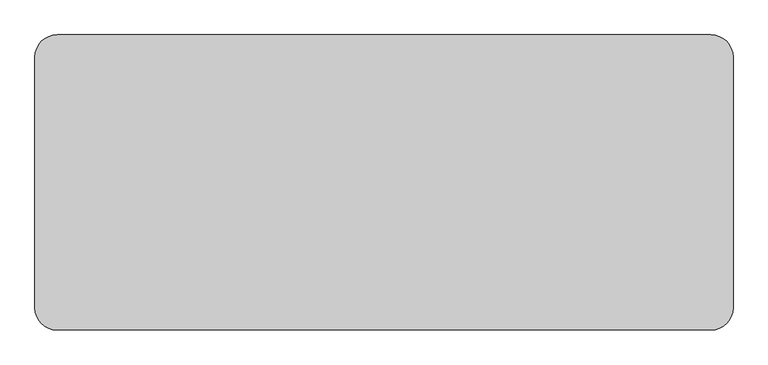
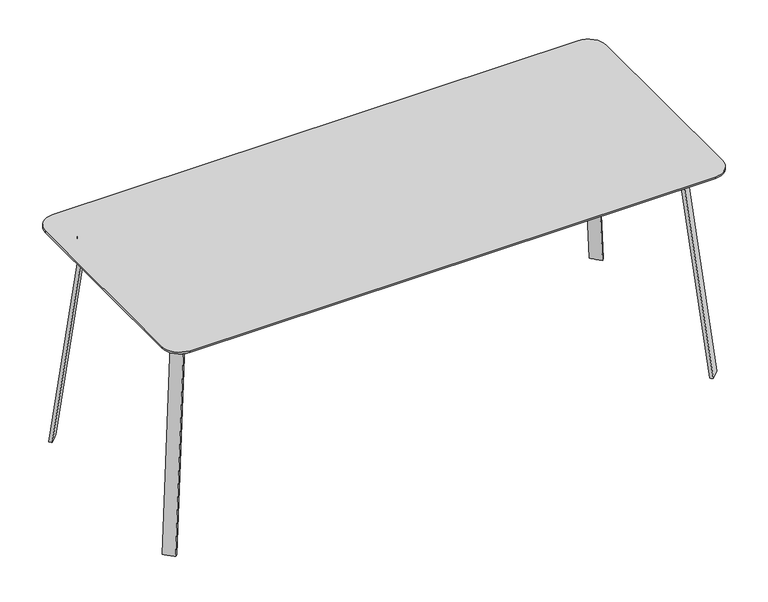
"""IFC4 building model written with IfcOpenShell, lengths in millimetres: furniture geometry."""

from ifc_helpers import new_model, si_unit, point, frame, frame_2d, origin, place, context, project, spatial, polyline, circle_curve, trimmed, segment, composite_curve, outline, extrude, source, transform, mapped, element, save
from ifc_brep_helpers import plane_surface, cylinder_surface, revolved_surface, spline_surface, advanced_brep


def furniture_3f5876fc(model_context):
    return source(origin(), model_context, "Body", "SolidModel", [
        extrude(outline(composite_curve([segment(trimmed(circle_curve(frame_2d((1202.7154289, 209.153125)), 60.325), [point((1202.7154289, 269.478125))], [point((1263.0404289, 209.153125))], False, "CARTESIAN"), True, "CONTINUOUS"), segment(polyline([(1263.0404289, 209.153125), (1263.0404289, -470.296875)]), True, "CONTINUOUS"), segment(trimmed(circle_curve(frame_2d((1202.7154289, -470.296875)), 60.325), [point((1263.0404289, -470.296875))], [point((1202.7154289, -530.621875))], False, "CARTESIAN"), True, "CONTINUOUS"), segment(polyline([(1202.7154289, -530.621875), (-566.6525399, -530.621875)]), True, "CONTINUOUS"), segment(trimmed(circle_curve(frame_2d((-566.6525399, -470.296875)), 60.325), [point((-566.6525399, -530.621875))], [point((-626.9775399, -470.296875))], False, "CARTESIAN"), True, "CONTINUOUS"), segment(polyline([(-626.9775399, -470.296875), (-626.9775399, 209.153125)]), True, "CONTINUOUS"), segment(trimmed(circle_curve(frame_2d((-566.6525399, 209.153125)), 60.325), [point((-626.9775399, 209.153125))], [point((-566.6525399, 269.478125))], False, "CARTESIAN"), True, "CONTINUOUS"), segment(polyline([(-566.6525399, 269.478125), (1202.7154289, 269.478125)]), True, "CONTINUOUS")], self_intersect=False)), frame((0.0, 0.0, 744.1025217), z_axis=(0.0, 0.0, 1.0), x_axis=(1.0, 0.0, 0.0)), (0.0, 0.0, 1.0), 5.9912283),
        advanced_brep(
        [(-510.8413612, -436.1434602, 744.1025217), (1146.8752089, -436.1434602, 744.1025217), (1197.6752089, -385.3434602, 744.1025217), (1197.6752089, 124.2199619, 744.1025217), (1146.8752089, 175.0199619, 744.1025217), (-510.8123198, 175.0199619, 744.1025217), (-561.6123198, 124.2199619, 744.1025217), (-561.6413612, -385.3434602, 744.1025217), (-510.7142395, -428.1022359, 744.1025217), (-553.6001551, -385.2163203, 744.1025217), (-553.6001551, 124.7624191, 744.1025217), (-511.218017, 166.9787557, 744.1025217), (1147.2809061, 166.9787557, 744.1025217), (1189.6339846, 124.6256772, 744.1025217), (1189.6339846, -385.6612191, 744.1025217), (1147.1929678, -428.1022359, 744.1025217), (-510.8413612, -436.1434602, 713.9480033), (-561.6413612, -385.3434602, 713.9480033), (-561.6413612, 124.2199619, 713.9480033), (-510.8123198, 175.0199619, 713.9480033), (1146.8752089, 175.0199619, 713.9480033), (1197.6752089, 124.2199619, 713.9480033), (1197.6752089, -385.3434602, 713.9480033), (1146.8752089, -436.1434602, 713.9480033), (-510.7142395, -428.1022359, 713.9480033), (1147.1929678, -428.1022359, 713.9480033), (1189.6339846, -385.6612191, 713.9480033), (1189.6339846, 124.6256772, 713.9480033), (1147.2809061, 166.9787557, 713.9480033), (-511.218017, 166.9787557, 713.9480033), (-553.5710955, 124.6256772, 713.9480033), (-553.6001551, -385.2163203, 713.9480033)],
        [
            (0, 1),
            (1, 2, circle_curve(frame((1146.8752089, -385.3434602, 744.1025217), z_axis=(0.0, 0.0, 1.0), x_axis=(1.0, 0.0, 0.0)), 50.8)),
            (2, 3),
            (3, 4, circle_curve(frame((1146.8752089, 124.2199619, 744.1025217), z_axis=(0.0, 0.0, 1.0), x_axis=(1.0, 0.0, 0.0)), 50.8)),
            (4, 5),
            (5, 6, circle_curve(frame((-510.8123198, 124.2199619, 744.1025217), z_axis=(0.0, 0.0, 1.0), x_axis=(1.0, 0.0, 0.0)), 50.8)),
            (6, 7),
            (7, 0, circle_curve(frame((-510.8413612, -385.3434602, 744.1025217), z_axis=(0.0, 0.0, 1.0), x_axis=(1.0, 0.0, 0.0)), 50.8)),
            (8, 9, circle_curve(frame((-510.7142395, -385.2163203, 744.1025217), z_axis=(0.0, 0.0, -1.0), x_axis=(1.0, 0.0, 0.0)), 42.8859156)),
            (9, 10),
            (10, 11, circle_curve(frame((-511.218017, 124.6256772, 744.1025217), z_axis=(0.0, 0.0, -1.0), x_axis=(1.0, 0.0, 0.0)), 42.3530785)),
            (11, 12),
            (12, 13, circle_curve(frame((1147.2809061, 124.6256772, 744.1025217), z_axis=(0.0, 0.0, -1.0), x_axis=(1.0, 0.0, 0.0)), 42.3530785)),
            (13, 14),
            (14, 15, circle_curve(frame((1147.1929678, -385.6612191, 744.1025217), z_axis=(0.0, 0.0, -1.0), x_axis=(1.0, 0.0, 0.0)), 42.4410167)),
            (15, 8),
            (16, 17, circle_curve(frame((-510.8413612, -385.3434602, 713.9480033), z_axis=(0.0, 0.0, -1.0), x_axis=(1.0, 0.0, 0.0)), 50.8)),
            (17, 18),
            (18, 19, circle_curve(frame((-510.8123198, 124.2199619, 713.9480033), z_axis=(0.0, 0.0, -1.0), x_axis=(1.0, 0.0, 0.0)), 50.8)),
            (19, 20),
            (20, 21, circle_curve(frame((1146.8752089, 124.2199619, 713.9480033), z_axis=(0.0, 0.0, -1.0), x_axis=(1.0, 0.0, 0.0)), 50.8)),
            (21, 22),
            (22, 23, circle_curve(frame((1146.8752089, -385.3434602, 713.9480033), z_axis=(0.0, 0.0, -1.0), x_axis=(1.0, 0.0, 0.0)), 50.8)),
            (23, 16),
            (24, 25),
            (25, 26, circle_curve(frame((1147.1929678, -385.6612191, 713.9480033), z_axis=(0.0, 0.0, 1.0), x_axis=(1.0, 0.0, 0.0)), 42.4410167)),
            (26, 27),
            (27, 28, circle_curve(frame((1147.2809061, 124.6256772, 713.9480033), z_axis=(0.0, 0.0, 1.0), x_axis=(1.0, 0.0, 0.0)), 42.3530785)),
            (28, 29),
            (29, 30, circle_curve(frame((-511.218017, 124.6256772, 713.9480033), z_axis=(0.0, 0.0, 1.0), x_axis=(1.0, 0.0, 0.0)), 42.3530785)),
            (30, 31),
            (31, 24, circle_curve(frame((-510.7142395, -385.2163203, 713.9480033), z_axis=(0.0, 0.0, 1.0), x_axis=(1.0, 0.0, 0.0)), 42.8859156)),
            (0, 16),
            (23, 1),
            (2, 22),
            (21, 3),
            (20, 4),
            (19, 5),
            (18, 6),
            (17, 7),
            (9, 31),
            (30, 10),
            (29, 11),
            (28, 12),
            (27, 13),
            (26, 14),
            (15, 25),
            (24, 8),
        ],
        [
            plane_surface(frame((1146.8752089, -436.1434602, 744.1025217), z_axis=(0.0, 0.0, 1.0), x_axis=(1.0, 0.0, 0.0))),
            plane_surface(frame((1146.8752089, -436.1434602, 713.9480033), z_axis=(0.0, 0.0, -1.0), x_axis=(-1.0, 0.0, 0.0))),
            plane_surface(frame((-510.8413612, -436.1434602, 744.1025217), z_axis=(0.0, -1.0, 0.0), x_axis=(0.0, 0.0, -1.0))),
            plane_surface(frame((1197.6752089, -385.3434602, 744.1025217), z_axis=(1.0, 0.0, 0.0), x_axis=(0.0, 0.0, -1.0))),
            cylinder_surface(frame((1146.8752089, 124.2199619, 713.9480033), z_axis=(0.0, 0.0, 1.0), x_axis=(1.0, 0.0, 0.0)), 50.8),
            plane_surface(frame((1146.8752089, 175.0199619, 744.1025217), z_axis=(0.0, 1.0, 0.0), x_axis=(0.0, 0.0, -1.0))),
            cylinder_surface(frame((-510.8123198, 124.2199619, 713.9480033), z_axis=(0.0, 0.0, 1.0), x_axis=(1.0, 0.0, 0.0)), 50.8),
            plane_surface(frame((-561.6413612, 124.2199619, 744.1025217), z_axis=(-1.0, 0.0, 0.0), x_axis=(0.0, 0.0, -1.0))),
            plane_surface(frame((-553.6001551, -385.2163203, 744.1025217), z_axis=(1.0, 0.0, 0.0), x_axis=(0.0, 0.0, -1.0))),
            revolved_surface(polyline([(-468.8649385, 124.6256772, 713.9480033), (-468.8649385, 124.6256772, 744.1025217)]), (-511.218017, 124.6256772, 0.0), (0.0, 0.0, -1.0)),
            plane_surface(frame((-511.218017, 166.9787557, 744.1025217), z_axis=(0.0, -1.0, 0.0), x_axis=(0.0, 0.0, -1.0))),
            revolved_surface(polyline([(1189.6339846, 124.6256772, 713.9480033), (1189.6339846, 124.6256772, 744.1025217)]), (1147.2809061, 124.6256772, 0.0), (0.0, 0.0, -1.0)),
            plane_surface(frame((1189.6339846, 124.6256772, 744.1025217), z_axis=(-1.0, 0.0, 0.0), x_axis=(0.0, 0.0, -1.0))),
            plane_surface(frame((1147.1929678, -428.1022359, 744.1025217), z_axis=(0.0, 1.0, 0.0), x_axis=(0.0, 0.0, -1.0))),
            cylinder_surface(frame((1146.8752089, -385.3434602, 713.9480033), z_axis=(0.0, 0.0, 1.0), x_axis=(1.0, 0.0, 0.0)), 50.8),
            cylinder_surface(frame((-510.8413612, -385.3434602, 713.9480033), z_axis=(0.0, 0.0, 1.0), x_axis=(1.0, 0.0, 0.0)), 50.8),
            revolved_surface(polyline([(-467.82832390000004, -385.2163203, 713.9480033), (-467.82832390000004, -385.2163203, 744.1025217)]), (-510.7142395, -385.2163203, 0.0), (0.0, 0.0, -1.0)),
            revolved_surface(polyline([(1189.6339845, -385.6612191, 713.9480033), (1189.6339845, -385.6612191, 744.1025217)]), (1147.1929678, -385.6612191, 0.0), (0.0, 0.0, -1.0)),
        ],
        [
            (0, [[1, 2, 3, 4, 5, 6, 7, 8], [9, 10, 11, 12, 13, 14, 15, 16]]),
            (1, [[17, 18, 19, 20, 21, 22, 23, 24], [25, 26, 27, 28, 29, 30, 31, 32]]),
            (2, [[-1, 33, -24, 34]]),
            (3, [[-3, 35, -22, 36]]),
            (4, [[-4, -36, -21, 37]]),
            (5, [[-5, -37, -20, 38]]),
            (6, [[-6, -38, -19, 39]]),
            (7, [[-7, -39, -18, 40]]),
            (8, [[-10, 41, -31, 42]]),
            (9, [[-11, -42, -30, 43]]),
            (10, [[-12, -43, -29, 44]]),
            (11, [[-13, -44, -28, 45]]),
            (12, [[-14, -45, -27, 46]]),
            (13, [[-16, 47, -25, 48]]),
            (14, [[-2, -34, -23, -35]]),
            (15, [[-8, -40, -17, -33]]),
            (16, [[-9, -48, -32, -41]]),
            (17, [[-15, -46, -26, -47]]),
        ],
    ),
        advanced_brep(
        [(-522.9418138, 161.6525031, 732.0407216), (-551.3717736, 133.2225433, 732.0407216), (-544.1908619, 126.0416408, 732.0407216), (-515.7609112, 154.4716006, 732.0407216), (-590.7605893, 229.4712787, 0.0), (-583.5796868, 222.2903762, 0.0), (-612.0096446, 193.8604195, 0.0), (-619.190548, 201.0413235, 0.0)],
        [
            (0, 1),
            (1, 2),
            (2, 3),
            (3, 0),
            (4, 5),
            (5, 6),
            (6, 7),
            (7, 4),
            (7, 1),
            (0, 4),
            (6, 2),
            (5, 3),
        ],
        [
            plane_surface(frame((-533.5663401, 143.847072, 732.0407216), z_axis=(0.0, 0.0, 1.0), x_axis=(0.7071072284265448, -0.7071063339462674, 0.0))),
            plane_surface(frame((-601.3851172, 211.6658495, 0.0), z_axis=(0.0, 0.0, -1.0), x_axis=(0.7071072284265448, -0.7071063339462674, 0.0))),
            spline_surface(1, 1, [[(-590.7605893, 229.4712787, 0.0), (-522.9418138, 161.6525031, 732.0407216)], [(-619.190548, 201.0413235, 0.0), (-551.3717736, 133.2225433, 732.0407216)]], [2, 2], [2, 2], [0.0, 1.0], [0.0, 1.0]),
            spline_surface(1, 1, [[(-619.190548, 201.0413235, 0.0), (-551.3717736, 133.2225433, 732.0407216)], [(-612.0096446, 193.8604195, 0.0), (-544.1908619, 126.0416408, 732.0407216)]], [2, 2], [2, 2], [0.0, 1.0], [0.0, 1.0]),
            spline_surface(1, 1, [[(-612.0096446, 193.8604195, 0.0), (-544.1908619, 126.0416408, 732.0407216)], [(-583.5796868, 222.2903762, 0.0), (-515.7609112, 154.4716006, 732.0407216)]], [2, 2], [2, 2], [0.0, 1.0], [0.0, 1.0]),
            plane_surface(frame((-587.1701381, 225.8808275, 0.0), z_axis=(0.7071067811865492, 0.7071067811865459, 0.0), x_axis=(-0.7071067811865459, 0.7071067811865492, 0.0))),
        ],
        [
            (0, [[1, 2, 3, 4]]),
            (1, [[5, 6, 7, 8]]),
            (2, [[-8, 9, -1, 10]]),
            (3, [[-7, 11, -2, -9]]),
            (4, [[-6, 12, -3, -11]]),
            (5, [[-5, -10, -4, -12]]),
        ],
    ),
        advanced_brep(
        [(-522.9433307, -421.5064418, 732.0407216), (-515.7624282, -414.3255575, 732.0407216), (-544.1923789, -385.8956067, 732.0407216), (-551.3732905, -393.0764911, 732.0407216), (-590.7621109, -489.3251947, 0.0), (-619.1920661, -460.895244, 0.0), (-612.0111698, -453.71435, 0.0), (-583.5812137, -482.1443004, 0.0)],
        [
            (0, 1),
            (1, 2),
            (2, 3),
            (3, 0),
            (4, 5),
            (5, 6),
            (6, 7),
            (7, 4),
            (4, 0),
            (3, 5),
            (2, 6),
            (1, 7),
        ],
        [
            plane_surface(frame((-533.5678571, -403.7010243, 732.0407216), z_axis=(0.0, 0.0, 1.0), x_axis=(0.7071068941515355, -0.7071066682215416, 0.0))),
            plane_surface(frame((-601.3866401, -471.5197723, 0.0), z_axis=(0.0, 0.0, -1.0), x_axis=(0.7071068941515355, -0.7071066682215416, 0.0))),
            spline_surface(1, 1, [[(-619.1920661, -460.895244, 0.0), (-551.3732905, -393.0764911, 732.0407216)], [(-590.7621109, -489.3251947, 0.0), (-522.9433307, -421.5064418, 732.0407216)]], [2, 2], [2, 2], [0.0, 1.0], [0.0, 1.0]),
            spline_surface(1, 1, [[(-612.0111698, -453.71435, 0.0), (-544.1923789, -385.8956067, 732.0407216)], [(-619.1920661, -460.895244, 0.0), (-551.3732905, -393.0764911, 732.0407216)]], [2, 2], [2, 2], [0.0, 1.0], [0.0, 1.0]),
            spline_surface(1, 1, [[(-583.5812137, -482.1443004, 0.0), (-515.7624282, -414.3255575, 732.0407216)], [(-612.0111698, -453.71435, 0.0), (-544.1923789, -385.8956067, 732.0407216)]], [2, 2], [2, 2], [0.0, 1.0], [0.0, 1.0]),
            spline_surface(1, 1, [[(-590.7621109, -489.3251947, 0.0), (-522.9433307, -421.5064418, 732.0407216)], [(-583.5812137, -482.1443004, 0.0), (-515.7624282, -414.3255575, 732.0407216)]], [2, 2], [2, 2], [0.0, 1.0], [0.0, 1.0]),
        ],
        [
            (0, [[1, 2, 3, 4]]),
            (1, [[5, 6, 7, 8]]),
            (2, [[-5, 9, -4, 10]]),
            (3, [[-6, -10, -3, 11]]),
            (4, [[-7, -11, -2, 12]]),
            (5, [[-8, -12, -1, -9]]),
        ],
    ),
        advanced_brep(
        [(1152.3437367, 161.6193635, 732.0407216), (1145.1627887, 154.4384519, 732.0407216), (1173.5927344, 126.0084971, 732.0407216), (1180.7737005, 133.1893906, 732.0407216), (1220.162574, 229.4381273, 0.0), (1248.5925225, 201.0081743, 0.0), (1241.4115907, 193.8272464, 0.0), (1212.9816403, 222.2572014, 0.0)],
        [
            (0, 1),
            (1, 2),
            (2, 3),
            (3, 0),
            (4, 5),
            (5, 6),
            (6, 7),
            (7, 4),
            (4, 0),
            (3, 5),
            (2, 6),
            (1, 7),
        ],
        [
            plane_surface(frame((1162.96824, 143.8139258, 732.0407216), z_axis=(0.0, 0.0, 1.0), x_axis=(-0.7071066682215376, 0.7071068941515395, 0.0))),
            plane_surface(frame((1230.7870819, 211.6326873, 0.0), z_axis=(0.0, 0.0, -1.0), x_axis=(-0.7071066682215376, 0.7071068941515395, 0.0))),
            spline_surface(1, 1, [[(1248.5925225, 201.0081743, 0.0), (1180.7737005, 133.1893906, 732.0407216)], [(1220.162574, 229.4381273, 0.0), (1152.3437367, 161.6193635, 732.0407216)]], [2, 2], [2, 2], [0.0, 1.0], [0.0, 1.0]),
            spline_surface(1, 1, [[(1241.4115907, 193.8272464, 0.0), (1173.5927344, 126.0084971, 732.0407216)], [(1248.5925225, 201.0081743, 0.0), (1180.7737005, 133.1893906, 732.0407216)]], [2, 2], [2, 2], [0.0, 1.0], [0.0, 1.0]),
            spline_surface(1, 1, [[(1212.9816403, 222.2572014, 0.0), (1145.1627887, 154.4384519, 732.0407216)], [(1241.4115907, 193.8272464, 0.0), (1173.5927344, 126.0084971, 732.0407216)]], [2, 2], [2, 2], [0.0, 1.0], [0.0, 1.0]),
            spline_surface(1, 1, [[(1220.162574, 229.4381273, 0.0), (1152.3437367, 161.6193635, 732.0407216)], [(1212.9816403, 222.2572014, 0.0), (1145.1627887, 154.4384519, 732.0407216)]], [2, 2], [2, 2], [0.0, 1.0], [0.0, 1.0]),
        ],
        [
            (0, [[1, 2, 3, 4]]),
            (1, [[5, 6, 7, 8]]),
            (2, [[-5, 9, -4, 10]]),
            (3, [[-6, -10, -3, 11]]),
            (4, [[-7, -11, -2, 12]]),
            (5, [[-8, -12, -1, -9]]),
        ],
    ),
        advanced_brep(
        [(1152.3106606, -421.5079679, 732.0407216), (1180.7406113, -393.0780172, 732.0407216), (1173.5596543, -385.8971328, 732.0407216), (1145.1297036, -414.3270835, 732.0407216), (1220.1293408, -489.3267207, 0.0), (1212.9484966, -482.1458689, 0.0), (1241.3784473, -453.7159182, 0.0), (1248.5592915, -460.89677, 0.0)],
        [
            (0, 1),
            (1, 2),
            (2, 3),
            (3, 0),
            (4, 5),
            (5, 6),
            (6, 7),
            (7, 4),
            (7, 1),
            (0, 4),
            (6, 2),
            (5, 3),
        ],
        [
            plane_surface(frame((1162.9351574, -403.7025504, 732.0407216), z_axis=(0.0, 0.0, 1.0), x_axis=(-0.7071103590917963, 0.7071032032631948, 0.0))),
            plane_surface(frame((1230.7538941, -471.5213195, 0.0), z_axis=(0.0, 0.0, -1.0), x_axis=(-0.7071103590917963, 0.7071032032631948, 0.0))),
            plane_surface(frame((1234.3443161, -475.1117454, 0.0), z_axis=(0.70111486156378, -0.7011148615637802, 0.12990728150801722), x_axis=(0.7071067811865477, 0.7071067811865475, 0.0))),
            spline_surface(1, 1, [[(1248.5592915, -460.89677, 0.0), (1180.7406113, -393.0780172, 732.0407216)], [(1241.3784473, -453.7159182, 0.0), (1173.5596543, -385.8971328, 732.0407216)]], [2, 2], [2, 2], [0.0, 1.0], [0.0, 1.0]),
            plane_surface(frame((1227.163472, -467.9308935, 0.0), z_axis=(-0.7011148488854553, 0.7011148488854553, -0.12990741835880948), x_axis=(-0.7071067811865476, -0.7071067811865476, 0.0))),
            spline_surface(1, 1, [[(1212.9484966, -482.1458689, 0.0), (1145.1297036, -414.3270835, 732.0407216)], [(1220.1293408, -489.3267207, 0.0), (1152.3106606, -421.5079679, 732.0407216)]], [2, 2], [2, 2], [0.0, 1.0], [0.0, 1.0]),
        ],
        [
            (0, [[1, 2, 3, 4]]),
            (1, [[5, 6, 7, 8]]),
            (2, [[-8, 9, -1, 10]]),
            (3, [[-7, 11, -2, -9]]),
            (4, [[-6, 12, -3, -11]]),
            (5, [[-5, -10, -4, -12]]),
        ],
    ),
    ])


if __name__ == "__main__":
    model = new_model("IFC4")
    model_context = context("Model", 3, world=origin())
    ifc_project = project(units=[si_unit("LENGTHUNIT", "METRE", prefix="MILLI")], contexts=[model_context])
    site = spatial("IfcSite", under=ifc_project)
    building = spatial("IfcBuilding", under=site)
    placement = place(None, origin())
    furniture_shape = furniture_3f5876fc(model_context)
    element("IfcFurniture", 1, at=placement, inside=building, context=model_context, shape_type="MappedRepresentation", body=[
        mapped(furniture_shape, transform((0.0, 0.0, 0.0), x_axis=(1.0, 0.0, 0.0), y_axis=(0.0, 1.0, 0.0), z_axis=(0.0, 0.0, 1.0))),
    ])
    save(model, "model.ifc")
